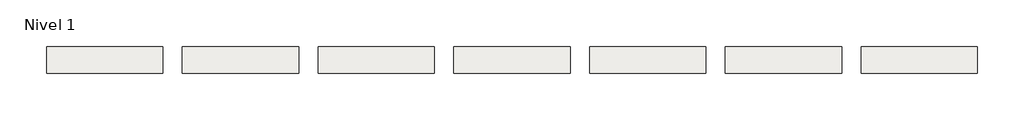
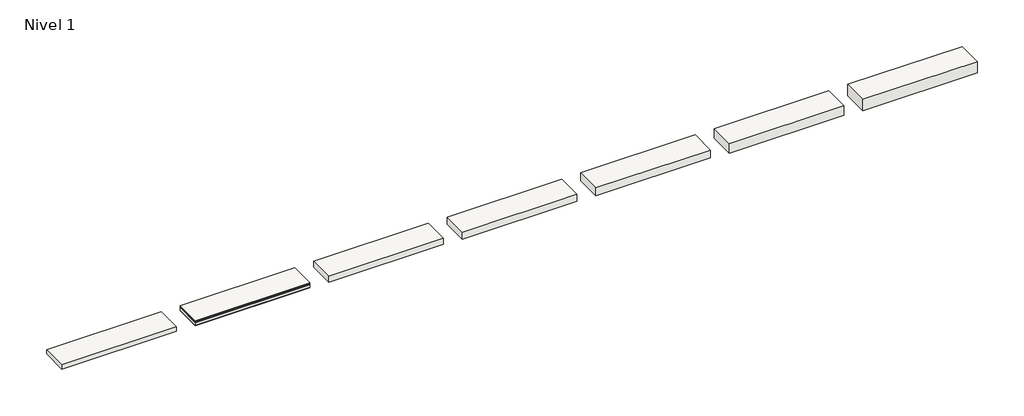
# One storey: 7 slabs.
"""IFC4 building model written with IfcOpenShell, lengths in millimetres."""

from ifc_helpers import new_model, si_unit, frame, origin, place, context, project, spatial, polyline, outline, extrude, element, save

model = new_model("IFC4")

# Units and contexts
model_context = context("Model", 3, world=origin())
ifc_project = project(units=[si_unit("LENGTHUNIT", "METRE", prefix="MILLI")], contexts=[model_context])

# Site, building, storey
site = spatial("IfcSite", under=ifc_project)
building = spatial("IfcBuilding", under=site)
storey = spatial("IfcBuildingStorey", under=building, Name="Nivel 1", Elevation=0.0)

# Slabs
placement = place(None, origin())
element("IfcSlab", 1, at=placement, inside=storey, context=model_context, shape_type="SweptSolid", body=[
    extrude(outline(polyline([(1184.4345966, -2901.6608764), (1184.4345966, -3451.6608764), (-1215.5654034, -3451.6608764), (-1215.5654034, -2901.6608764), (1184.4345966, -2901.6608764)])), frame((0.0, 0.0, -20.0), z_axis=(0.0, 0.0, 1.0), x_axis=(1.0, 0.0, 0.0)), (0.0, 0.0, 1.0), 20.0),
    extrude(outline(polyline([(1184.4345966, -2901.6608764), (1184.4345966, -3451.6608764), (-1215.5654034, -3451.6608764), (-1215.5654034, -2901.6608764), (1184.4345966, -2901.6608764)])), frame((0.0, 0.0, -30.0), z_axis=(0.0, 0.0, 1.0), x_axis=(1.0, 0.0, 0.0)), (0.0, 0.0, 1.0), 10.0),
    extrude(outline(polyline([(1184.4345966, -2901.6608764), (1184.4345966, -3451.6608764), (-1215.5654034, -3451.6608764), (-1215.5654034, -2901.6608764), (1184.4345966, -2901.6608764)])), frame((0.0, 0.0, -42.5), z_axis=(0.0, 0.0, 1.0), x_axis=(1.0, 0.0, 0.0)), (0.0, 0.0, 1.0), 12.5),
    extrude(outline(polyline([(1184.4345966, -2901.6608764), (1184.4345966, -3451.6608764), (-1215.5654034, -3451.6608764), (-1215.5654034, -2901.6608764), (1184.4345966, -2901.6608764)])), frame((0.0, 0.0, -102.5), z_axis=(0.0, 0.0, 1.0), x_axis=(1.0, 0.0, 0.0)), (0.0, 0.0, 1.0), 60.0),
    extrude(outline(polyline([(1184.4345966, -2901.6608764), (1184.4345966, -3451.6608764), (-1215.5654034, -3451.6608764), (-1215.5654034, -2901.6608764), (1184.4345966, -2901.6608764)])), frame((0.0, 0.0, -112.5), z_axis=(0.0, 0.0, 1.0), x_axis=(1.0, 0.0, 0.0)), (0.0, 0.0, 1.0), 10.0),
])
element("IfcSlab", 2, at=placement, inside=storey, context=model_context, shape_type="SweptSolid", body=[
    extrude(outline(polyline([(-1615.5654034, -2901.6608764), (-1615.5654034, -3451.6608764), (-4015.5654034, -3451.6608764), (-4015.5654034, -2901.6608764), (-1615.5654034, -2901.6608764)])), frame((0.0, 0.0, -92.5), z_axis=(0.0, 0.0, 1.0), x_axis=(1.0, 0.0, 0.0)), (0.0, 0.0, 1.0), 92.5),
])
element("IfcSlab", 3, at=placement, inside=storey, context=model_context, shape_type="SweptSolid", body=[
    extrude(outline(polyline([(3984.4345966, -2901.6608764), (3984.4345966, -3451.6608764), (1584.4345966, -3451.6608764), (1584.4345966, -2901.6608764), (3984.4345966, -2901.6608764)])), frame((0.0, 0.0, -132.5), z_axis=(0.0, 0.0, 1.0), x_axis=(1.0, 0.0, 0.0)), (0.0, 0.0, 1.0), 132.5),
])
element("IfcSlab", 4, at=placement, inside=storey, context=model_context, shape_type="SweptSolid", body=[
    extrude(outline(polyline([(6784.4345966, -2901.6608764), (6784.4345966, -3451.6608764), (4384.4345966, -3451.6608764), (4384.4345966, -2901.6608764), (6784.4345966, -2901.6608764)])), frame((0.0, 0.0, -152.5), z_axis=(0.0, 0.0, 1.0), x_axis=(1.0, 0.0, 0.0)), (0.0, 0.0, 1.0), 152.5),
])
element("IfcSlab", 5, at=placement, inside=storey, context=model_context, shape_type="SweptSolid", body=[
    extrude(outline(polyline([(9584.4345966, -2901.6608764), (9584.4345966, -3451.6608764), (7184.4345966, -3451.6608764), (7184.4345966, -2901.6608764), (9584.4345966, -2901.6608764)])), frame((0.0, 0.0, -172.5), z_axis=(0.0, 0.0, 1.0), x_axis=(1.0, 0.0, 0.0)), (0.0, 0.0, 1.0), 172.5),
])
element("IfcSlab", 6, at=placement, inside=storey, context=model_context, shape_type="SweptSolid", body=[
    extrude(outline(polyline([(12384.4345966, -2901.6608764), (12384.4345966, -3451.6608764), (9984.4345966, -3451.6608764), (9984.4345966, -2901.6608764), (12384.4345966, -2901.6608764)])), frame((0.0, 0.0, -212.5), z_axis=(0.0, 0.0, 1.0), x_axis=(1.0, 0.0, 0.0)), (0.0, 0.0, 1.0), 212.5),
])
element("IfcSlab", 7, at=placement, inside=storey, context=model_context, shape_type="SweptSolid", body=[
    extrude(outline(polyline([(15184.4345966, -2901.6608764), (15184.4345966, -3451.6608764), (12784.4345966, -3451.6608764), (12784.4345966, -2901.6608764), (15184.4345966, -2901.6608764)])), frame((0.0, 0.0, -252.5), z_axis=(0.0, 0.0, 1.0), x_axis=(1.0, 0.0, 0.0)), (0.0, 0.0, 1.0), 252.5),
])

save(model, "model.ifc")
